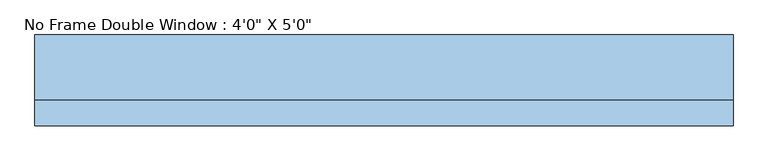
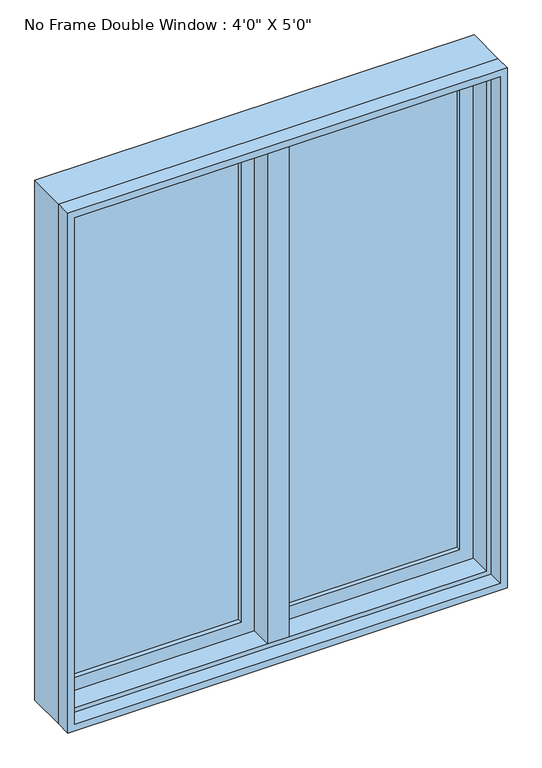
"""IFC4 building model written with IfcOpenShell, lengths in millimetres: window geometry."""

from ifc_helpers import new_model, si_unit, frame, origin, place, context, project, spatial, polyline, outline, extrude, faceted_brep, source, transform, mapped, element, save


def window_09ee3ac1(model_context):
    return source(origin(), model_context, "Body", "SolidModel", [
        faceted_brep([(9.525, 88.9, 2425.7), (-9.525, 88.9, 2425.7), (-9.525, 38.1, 2425.7), (9.525, 38.1, 2425.7), (9.525, 88.9, 927.1), (9.525, 38.1, 927.1), (-9.525, 38.1, 927.1), (-9.525, 88.9, 927.1), (-9.525, 38.1, 946.15), (-9.525, 38.1, 2406.65), (-30.1625, 38.1, 946.15), (-30.1625, 38.1, 2406.65), (-30.1625, -25.4, 946.15), (-30.1625, -25.4, 2406.65), (30.1625, -25.4, 946.15), (30.1625, -25.4, 2406.65), (30.1625, 38.1, 946.15), (30.1625, 38.1, 2406.65), (9.525, 38.1, 946.15), (9.525, 38.1, 2406.65)], [[[0, 1, 2, 3]], [[4, 5, 6, 7]], [[1, 0, 4, 7]], [[2, 1, 7, 6, 8, 9]], [[9, 8, 10, 11]], [[11, 10, 12, 13]], [[13, 12, 14, 15]], [[15, 14, 16, 17]], [[17, 16, 18, 19]], [[0, 3, 19, 18, 5, 4]], [[18, 8, 6, 5]], [[9, 19, 3, 2]], [[8, 18, 16, 14, 12, 10]], [[19, 9, 11, 13, 15, 17]]]),
        extrude(outline(polyline([(-66.675, 69.85), (-66.675, 63.5), (-539.75, 63.5), (-539.75, 69.85), (-66.675, 69.85)])), frame((0.0, 0.0, 984.25), z_axis=(0.0, 0.0, 1.0), x_axis=(1.0, 0.0, 0.0)), (0.0, 0.0, 1.0), 1384.3),
        extrude(outline(polyline([(-539.75, 50.8), (-539.75, 57.15), (-66.675, 57.15), (-66.675, 50.8), (-539.75, 50.8)])), frame((0.0, 0.0, 984.25), z_axis=(0.0, 0.0, 1.0), x_axis=(1.0, 0.0, 0.0)), (0.0, 0.0, 1.0), 1384.3),
        extrude(outline(polyline([(539.75, 69.85), (539.75, 63.5), (66.675, 63.5), (66.675, 69.85), (539.75, 69.85)])), frame((0.0, 0.0, 984.25), z_axis=(0.0, 0.0, 1.0), x_axis=(1.0, 0.0, 0.0)), (0.0, 0.0, 1.0), 1384.3),
        extrude(outline(polyline([(66.675, 50.8), (66.675, 57.15), (539.75, 57.15), (539.75, 50.8), (66.675, 50.8)])), frame((0.0, 0.0, 984.25), z_axis=(0.0, 0.0, 1.0), x_axis=(1.0, 0.0, 0.0)), (0.0, 0.0, 1.0), 1384.3),
        extrude(outline(polyline([(2425.7, -596.9), (927.1, -596.9), (927.1, -9.525), (2425.7, -9.525), (2425.7, -596.9)]), holes=[polyline([(2368.55, -66.675), (984.25, -66.675), (984.25, -539.75), (2368.55, -539.75), (2368.55, -66.675)])]), frame((0.0, 38.1, 0.0), z_axis=(0.0, 1.0, 0.0), x_axis=(0.0, 0.0, 1.0)), (0.0, 0.0, 1.0), 44.45),
        extrude(outline(polyline([(927.1, 596.9), (2425.7, 596.9), (2425.7, 9.525), (927.1, 9.525), (927.1, 596.9)]), holes=[polyline([(984.25, 66.675), (2368.55, 66.675), (2368.55, 539.75), (984.25, 539.75), (984.25, 66.675)])]), frame((0.0, 38.1, 0.0), z_axis=(0.0, 1.0, 0.0), x_axis=(0.0, 0.0, 1.0)), (0.0, 0.0, 1.0), 44.45),
        extrude(outline(polyline([(2438.4, -609.6), (914.4, -609.6), (914.4, 609.6), (2438.4, 609.6), (2438.4, -609.6)]), holes=[polyline([(2419.35, 590.55), (933.45, 590.55), (933.45, -590.55), (2419.35, -590.55), (2419.35, 590.55)])]), frame((0.0, -69.85, 0.0), z_axis=(0.0, 1.0, 0.0), x_axis=(0.0, 0.0, 1.0)), (0.0, 0.0, 1.0), 44.45),
        faceted_brep([(577.85, 38.1, 2406.65), (577.85, -25.4, 2406.65), (-577.85, -25.4, 2406.65), (-577.85, 38.1, 2406.65), (596.9, 88.9, 2425.7), (596.9, 38.1, 2425.7), (-596.9, 38.1, 2425.7), (-596.9, 88.9, 2425.7), (609.6, -25.4, 2438.4), (609.6, 88.9, 2438.4), (-609.6, 88.9, 2438.4), (-609.6, -25.4, 2438.4), (-577.85, -25.4, 946.15), (-577.85, 38.1, 946.15), (-596.9, 38.1, 927.1), (-596.9, 88.9, 927.1), (-609.6, 88.9, 914.4), (-609.6, -25.4, 914.4), (577.85, -25.4, 946.15), (577.85, 38.1, 946.15), (596.9, 38.1, 927.1), (596.9, 88.9, 927.1), (609.6, 88.9, 914.4), (609.6, -25.4, 914.4)], [[[0, 1, 2, 3]], [[4, 5, 6, 7]], [[8, 9, 10, 11]], [[3, 2, 12, 13]], [[7, 6, 14, 15]], [[11, 10, 16, 17]], [[13, 12, 18, 19]], [[15, 14, 20, 21]], [[17, 16, 22, 23]], [[11, 17, 23, 8], [1, 18, 12, 2]], [[19, 18, 1, 0]], [[5, 20, 14, 6], [3, 13, 19, 0]], [[21, 20, 5, 4]], [[23, 22, 9, 8]], [[9, 22, 16, 10], [7, 15, 21, 4]]]),
    ])


if __name__ == "__main__":
    model = new_model("IFC4")
    model_context = context("Model", 3, world=origin())
    ifc_project = project(units=[si_unit("LENGTHUNIT", "METRE", prefix="MILLI")], contexts=[model_context])
    site = spatial("IfcSite", under=ifc_project)
    building = spatial("IfcBuilding", under=site)
    placement = place(None, origin())
    window_shape = window_09ee3ac1(model_context)
    element("IfcWindow", 1, ObjectType="No Frame Double Window : 4'0\" X 5'0\"", at=placement, inside=building, context=model_context, shape_type="MappedRepresentation", body=[
        mapped(window_shape, transform((0.0, 0.0, 0.0), x_axis=(1.0, 0.0, 0.0), y_axis=(0.0, 1.0, 0.0), z_axis=(0.0, 0.0, 1.0))),
    ])
    save(model, "model.ifc")
